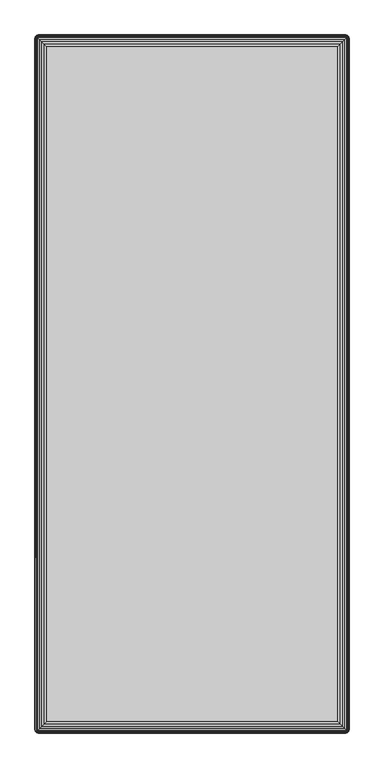
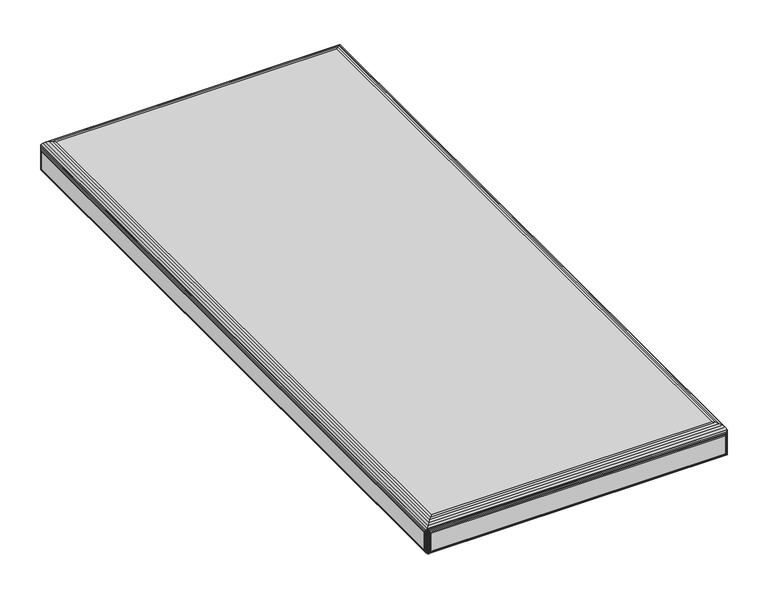
"""IFC4 building model written with IfcOpenShell, lengths in millimetres: furniture geometry."""

from ifc_helpers import new_model, si_unit, origin, place, context, project, spatial, triangles, source, transform, mapped, element, save


def furniture_ace7525c(model_context):
    return source(origin(), model_context, "Body", "Tessellation", [
        triangles([(2419.8401674, 802.3042203, 400.0000031), (2419.8401674, 1762.3041985, 400.0000031), (2829.8401415, 1762.3041985, 400.0000031), (2829.8401415, 802.3042203, 400.0000031), (2419.8401674, 802.3042203, 411.9999973), (2829.8401415, 802.3042203, 411.9999973), (2419.8401674, 1762.3041985, 411.9999973), (2829.8401415, 1762.3041985, 411.9999973), (2402.3131849, 1781.1581349, 414.4729932), (2401.5971676, 1780.5471257, 413.7570122), (2401.8931524, 1780.8231263, 452.722984), (2402.8061781, 1781.4802083, 451.0670168), (2403.1161882, 1781.6501107, 415.2759965), (2401.7431616, 1780.6881055, 453.0079957), (2401.5971676, 1780.5471257, 453.2899916), (2403.7931818, 1781.9441334, 449.3739879), (2403.9861933, 1782.0101178, 416.1460015), (2404.901181, 1782.2301625, 417.0609893), (2404.8171745, 1782.2162099, 447.675), (2405.8401499, 1782.3041405, 445.9999932), (2405.8401499, 1782.3041405, 417.9999945), (2401.321167, 1780.2512135, 452.722984), (2401.4561878, 1780.4012044, 453.0079957), (2400.9861584, 1779.831181, 414.4729932), (2400.4941826, 1779.0281777, 415.2759965), (2400.6641577, 1779.3381879, 451.0670168), (2400.1341755, 1778.1581727, 416.1460015), (2400.2001598, 1778.3511842, 449.3739879), (2399.9281561, 1777.3271188, 447.675), (2399.9141308, 1777.2431123, 417.0609893), (2399.8401527, 1776.3042161, 417.9999945), (2399.8401527, 1776.3042161, 445.9999932), (2847.367124, 1781.1581349, 414.4729932), (2848.083214, 1780.5471257, 413.7570122), (2846.5641207, 1781.6501107, 415.2759965), (2845.6941156, 1782.0101178, 416.1460015), (2844.7792005, 1782.2301625, 417.0609893), (2843.840159, 1782.3041405, 417.9999945), (2402.3131849, 1779.831181, 413.146003), (2847.367124, 1779.831181, 413.146003), (2846.5641207, 1779.0281777, 412.6539908), (2403.1161882, 1779.0281777, 412.6539908), (2845.6941156, 1778.1581727, 412.2939837), (2403.9861933, 1778.1581727, 412.2939837), (2404.901181, 1777.2431123, 412.0740117), (2844.7792005, 1777.2431123, 412.0740117), (2843.840159, 1776.3042161, 411.9999973), (2405.8401499, 1776.3042161, 411.9999973), (2843.840159, 1782.3041405, 445.9999932), (2845.8871271, 1781.9441334, 449.3739879), (2844.863207, 1782.2162099, 447.675), (2846.8741308, 1781.4802083, 451.0670168), (2847.7871565, 1780.8231263, 452.722984), (2847.9371473, 1780.6881055, 453.0079957), (2848.083214, 1780.5471257, 453.2899916), (2403.527137, 1778.6171563, 456.2169931), (2846.1530992, 1778.6171563, 456.2169931), (2843.6321775, 1776.0971066, 458.653), (2406.0481314, 1776.0971066, 458.653), (2409.0381378, 1773.1061555, 460.4819944), (2840.6420984, 1773.1061555, 460.4819944), (2412.3551592, 1769.7892068, 461.6160095), (2837.3251497, 1769.7892068, 461.6160095), (2415.8401935, 1766.3040997, 461.9999977), (2833.840188, 1766.3040997, 461.9999977), (2848.6942232, 1779.831181, 414.4729932), (2848.3592146, 1780.2512135, 452.722984), (2849.0161512, 1779.3381879, 451.0670168), (2849.186199, 1779.0281777, 415.2759965), (2848.2241937, 1780.4012044, 453.0079957), (2849.4802217, 1778.3511842, 449.3739879), (2849.5462061, 1778.1581727, 416.1460015), (2849.7661054, 1777.2431123, 417.0609893), (2849.7521528, 1777.3271188, 447.675), (2849.8402288, 1776.3042161, 445.9999932), (2849.8402288, 1776.3042161, 417.9999945), (2400.9861584, 784.7770924, 414.4729932), (2401.5971676, 784.0611478, 413.7570122), (2401.321167, 784.3570599, 452.722984), (2400.6641577, 785.2700856, 451.0670168), (2400.4941826, 785.5802411, 415.2759965), (2401.4561878, 784.2070691, 453.0079957), (2401.5971676, 784.0611478, 453.2899916), (2400.2001598, 786.2572346, 449.3739879), (2400.1341755, 786.4502461, 416.1460015), (2399.9141308, 787.3650159, 417.0609893), (2399.9281561, 787.2810094, 447.675), (2399.8401527, 788.3042027, 445.9999932), (2399.8401527, 788.3042027, 417.9999945), (2401.8931524, 783.7852925, 452.722984), (2401.7431616, 783.920168, 453.0079957), (2402.3131849, 783.4501385, 414.4729932), (2403.1161882, 782.9580174, 415.2759965), (2402.8061781, 783.1280652, 451.0670168), (2403.9861933, 782.5981557, 416.1460015), (2403.7931818, 782.66414, 449.3739879), (2404.8171745, 782.3920636, 447.675), (2404.901181, 782.378111, 417.0609893), (2405.8401499, 782.3042783, 417.9999945), (2405.8401499, 782.3042783, 445.9999932), (2403.527137, 785.9912625, 456.2169931), (2406.0481314, 788.5111668, 458.653), (2409.0381378, 791.5022633, 460.4819944), (2412.3551592, 794.819212, 461.6160095), (2415.8401935, 798.3041737, 461.9999977), (2847.7871565, 783.7852925, 452.722984), (2847.9371473, 783.920168, 453.0079957), (2848.083214, 784.0611478, 453.2899916), (2846.8741308, 783.1280652, 451.0670168), (2845.8871271, 782.66414, 449.3739879), (2844.863207, 782.3920636, 447.675), (2843.840159, 782.3042783, 445.9999932), (2846.1530992, 785.9912625, 456.2169931), (2843.6321775, 788.5111668, 458.653), (2840.6420984, 791.5022633, 460.4819944), (2837.3251497, 794.819212, 461.6160095), (2833.840188, 798.3041737, 461.9999977), (2843.840159, 782.3042783, 417.9999945), (2847.367124, 783.4501385, 414.4729932), (2848.083214, 784.0611478, 413.7570122), (2846.5641207, 782.9580174, 415.2759965), (2845.6941156, 782.5981557, 416.1460015), (2844.7792005, 782.378111, 417.0609893), (2848.3592146, 784.3570599, 452.722984), (2848.2241937, 784.2070691, 453.0079957), (2848.6942232, 784.7770924, 414.4729932), (2849.186199, 785.5802411, 415.2759965), (2849.0161512, 785.2700856, 451.0670168), (2849.5462061, 786.4502461, 416.1460015), (2849.4802217, 786.2572346, 449.3739879), (2849.7521528, 787.2810094, 447.675), (2849.7661054, 787.3650159, 417.0609893), (2849.8402288, 788.3042027, 417.9999945), (2849.8402288, 788.3042027, 445.9999932), (2847.367124, 784.7770924, 413.146003), (2402.3131849, 784.7770924, 413.146003), (2403.1161882, 785.5802411, 412.6539908), (2846.5641207, 785.5802411, 412.6539908), (2403.9861933, 786.4502461, 412.2939837), (2845.6941156, 786.4502461, 412.2939837), (2844.7792005, 787.3650159, 412.0740117), (2404.901181, 787.3650159, 412.0740117), (2405.8401499, 788.3042027, 411.9999973), (2843.840159, 788.3042027, 411.9999973)], [[1, 2, 3], [1, 3, 4], [5, 1, 4], [6, 5, 4], [7, 2, 1], [5, 7, 1], [8, 3, 2], [7, 8, 2], [6, 4, 3], [8, 6, 3], [7, 5, 6], [8, 7, 6], [11, 9, 10], [11, 12, 13], [11, 13, 9], [10, 14, 11], [10, 15, 14], [13, 12, 16], [13, 16, 17], [19, 18, 17], [19, 20, 21], [19, 21, 18], [17, 16, 19], [22, 23, 15], [24, 22, 15], [24, 25, 26], [24, 26, 22], [15, 10, 24], [26, 25, 27], [26, 27, 28], [30, 29, 28], [30, 31, 32], [30, 32, 29], [28, 27, 30], [9, 33, 34], [9, 13, 35], [9, 35, 33], [34, 10, 9], [35, 13, 17], [35, 17, 36], [18, 37, 36], [18, 21, 38], [18, 38, 37], [36, 17, 18], [40, 39, 10], [40, 41, 42], [40, 42, 39], [10, 34, 40], [42, 41, 43], [42, 43, 44], [46, 45, 44], [46, 47, 48], [46, 48, 45], [44, 43, 46], [38, 21, 20], [49, 38, 20], [50, 19, 16], [51, 49, 20], [51, 20, 19], [19, 50, 51], [11, 14, 15], [15, 12, 11], [52, 12, 15], [52, 50, 16], [52, 16, 12], [15, 53, 52], [15, 54, 53], [15, 55, 54], [55, 15, 56], [55, 56, 57], [59, 58, 57], [59, 60, 61], [59, 61, 58], [57, 56, 59], [61, 60, 62], [61, 62, 63], [63, 62, 64], [63, 64, 65], [67, 66, 34], [67, 68, 69], [67, 69, 66], [34, 70, 67], [34, 55, 70], [69, 68, 71], [69, 71, 72], [74, 73, 72], [74, 75, 76], [74, 76, 73], [72, 71, 74], [53, 54, 55], [33, 53, 55], [33, 35, 52], [33, 52, 53], [55, 34, 33], [52, 35, 36], [52, 36, 50], [37, 51, 50], [37, 38, 49], [37, 49, 51], [50, 36, 37], [79, 77, 78], [79, 80, 81], [79, 81, 77], [78, 82, 79], [78, 83, 82], [81, 80, 84], [81, 84, 85], [87, 86, 85], [87, 88, 89], [87, 89, 86], [85, 84, 87], [90, 91, 83], [92, 90, 83], [92, 93, 94], [92, 94, 90], [83, 78, 92], [94, 93, 95], [94, 95, 96], [98, 97, 96], [98, 99, 100], [98, 100, 97], [96, 95, 98], [79, 82, 83], [83, 80, 79], [26, 80, 83], [26, 28, 84], [26, 84, 80], [83, 22, 26], [83, 23, 22], [83, 15, 23], [29, 87, 84], [29, 32, 88], [29, 88, 87], [84, 28, 29], [15, 83, 101], [15, 101, 56], [102, 59, 56], [102, 103, 60], [102, 60, 59], [56, 101, 102], [60, 103, 104], [60, 104, 62], [62, 104, 105], [62, 105, 64], [106, 107, 108], [108, 109, 106], [94, 109, 108], [94, 96, 110], [94, 110, 109], [108, 90, 94], [108, 91, 90], [108, 83, 91], [97, 111, 110], [97, 100, 112], [97, 112, 111], [110, 96, 97], [83, 108, 113], [83, 113, 101], [114, 102, 101], [114, 115, 103], [114, 103, 102], [101, 113, 114], [103, 115, 116], [103, 116, 104], [104, 116, 117], [104, 117, 105], [112, 100, 99], [118, 112, 99], [106, 119, 120], [106, 109, 121], [106, 121, 119], [120, 107, 106], [120, 108, 107], [121, 109, 110], [121, 110, 122], [111, 123, 122], [111, 112, 118], [111, 118, 123], [122, 110, 111], [124, 125, 108], [126, 124, 108], [126, 127, 128], [126, 128, 124], [108, 120, 126], [128, 127, 129], [128, 129, 130], [132, 131, 130], [132, 133, 134], [132, 134, 131], [130, 129, 132], [130, 74, 71], [131, 134, 75], [131, 75, 74], [74, 130, 131], [67, 70, 55], [55, 68, 67], [128, 68, 55], [128, 130, 71], [128, 71, 68], [55, 124, 128], [55, 125, 124], [55, 108, 125], [108, 55, 57], [108, 57, 113], [58, 114, 113], [58, 61, 115], [58, 115, 114], [113, 57, 58], [115, 61, 63], [115, 63, 116], [116, 63, 65], [116, 65, 117], [122, 98, 95], [123, 118, 99], [123, 99, 98], [98, 122, 123], [122, 95, 93], [121, 122, 93], [120, 92, 78], [119, 121, 93], [119, 93, 92], [92, 120, 119], [136, 135, 120], [136, 137, 138], [136, 138, 135], [120, 78, 136], [138, 137, 139], [138, 139, 140], [142, 141, 140], [142, 143, 144], [142, 144, 141], [140, 139, 142], [85, 30, 27], [86, 89, 31], [86, 31, 30], [30, 85, 86], [85, 27, 25], [81, 85, 25], [78, 24, 10], [77, 81, 25], [77, 25, 24], [24, 78, 77], [39, 136, 78], [39, 42, 137], [39, 137, 136], [78, 10, 39], [137, 42, 44], [137, 44, 139], [45, 142, 139], [45, 48, 143], [45, 143, 142], [139, 44, 45], [66, 126, 120], [66, 69, 127], [66, 127, 126], [120, 34, 66], [127, 69, 72], [127, 72, 129], [73, 132, 129], [73, 76, 133], [73, 133, 132], [129, 72, 73], [135, 40, 34], [135, 138, 41], [135, 41, 40], [34, 120, 135], [41, 138, 140], [41, 140, 43], [141, 46, 43], [141, 144, 47], [141, 47, 46], [43, 140, 141], [88, 32, 31], [89, 88, 31], [143, 48, 47], [143, 47, 144], [117, 65, 64], [105, 117, 64], [133, 76, 75], [134, 133, 75]]),
    ])


if __name__ == "__main__":
    model = new_model("IFC4")
    model_context = context("Model", 3, world=origin())
    ifc_project = project(units=[si_unit("LENGTHUNIT", "METRE", prefix="MILLI")], contexts=[model_context])
    site = spatial("IfcSite", under=ifc_project)
    building = spatial("IfcBuilding", under=site)
    placement = place(None, origin())
    furniture_shape = furniture_ace7525c(model_context)
    element("IfcFurniture", 1, at=placement, inside=building, context=model_context, shape_type="MappedRepresentation", body=[
        mapped(furniture_shape, transform((0.0, 0.0, 0.0), x_axis=(1.0, 0.0, 0.0), y_axis=(0.0, 1.0, 0.0), z_axis=(0.0, 0.0, 1.0))),
    ])
    save(model, "model.ifc")
